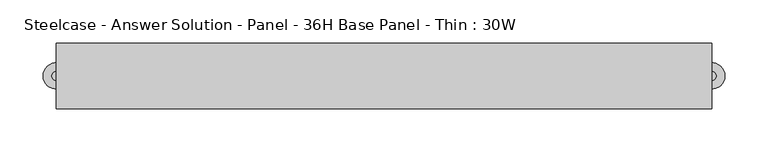
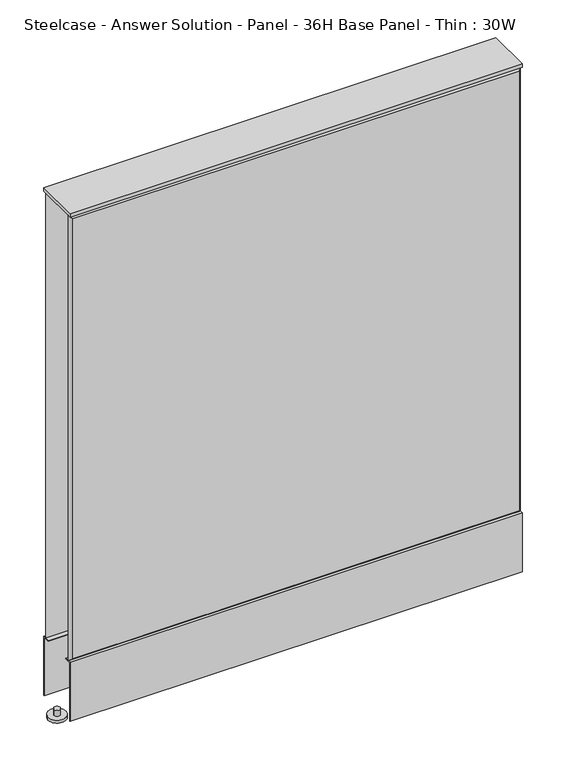
"""IFC4 building model written with IfcOpenShell, lengths in millimetres: furniture geometry, Steelcase - Answer Solution - Panel - 36H Base Panel - Thin : 30W."""

import ifcopenshell
import ifcopenshell.guid

model = None  # the IFC model being written
_history = None  # IfcOwnerHistory: only IFC2X3 demands one
_inside = {}  # id of a spatial element -> (the spatial element, [elements in it])
_under = {}  # id of a project, library or spatial element -> (it, [spatial elements below it])
_declared = {}  # id of a project -> (the project, [libraries it declares])
_typed = {}  # id of a type object -> (the type object, [elements of that type])
_made_of = {}  # id of a material, layer set ... -> (it, [elements and type objects made of it])


def new_model(schema):
    """Start an empty IFC model of exactly this schema.

    Asked for "IFC4X3", IfcOpenShell would pick the latest addendum, in which some entities
    have other attributes; the version numbers below select the first issue.
    IFC2X3 requires an IfcOwnerHistory on every rooted entity: one is made here for all.
    """
    global model, _history
    if schema == "IFC4X3":
        model = ifcopenshell.file(schema_version=(4, 3, 0, 0))
    else:
        model = ifcopenshell.file(schema=schema)
    _inside.clear()
    _under.clear()
    _declared.clear()
    _typed.clear()
    _made_of.clear()
    _history = None
    if model.schema == "IFC2X3":
        org = make("IfcOrganization", Name="unknown")
        user = make(
            "IfcPersonAndOrganization",
            ThePerson=make("IfcPerson", FamilyName="unknown"),
            TheOrganization=org,
        )
        app = make(
            "IfcApplication",
            ApplicationDeveloper=org,
            Version="unknown",
            ApplicationFullName="unknown",
            ApplicationIdentifier="unknown",
        )
        _history = make(
            "IfcOwnerHistory",
            OwningUser=user,
            OwningApplication=app,
            ChangeAction="ADDED",
            CreationDate=0,
        )
    return model


def make(cls, **values):
    """One entity of the class cls with the attributes given. An attribute that is None is left unset."""
    return model.create_entity(
        cls, **{name: value for name, value in values.items() if value is not None}
    )


def rooted(cls, **values):
    """An entity with a GlobalId (a new one), such as an element, a storey or a relation."""
    return make(cls, GlobalId=ifcopenshell.guid.new(), OwnerHistory=_history, **values)


def si_unit(unit_type, name, prefix=None):
    """IfcSIUnit, for example si_unit("LENGTHUNIT", "METRE", prefix="MILLI")."""
    return make("IfcSIUnit", UnitType=unit_type, Prefix=prefix, Name=name)


def assignment(units):
    """IfcUnitAssignment: the units of a project."""
    return None if units is None else make("IfcUnitAssignment", Units=units)


def point(xyz):
    """IfcCartesianPoint."""
    return None if xyz is None else make("IfcCartesianPoint", Coordinates=xyz)


def direction(xyz):
    """IfcDirection."""
    return None if xyz is None else make("IfcDirection", DirectionRatios=xyz)


def frame(location, z_axis=None, x_axis=None):
    """IfcAxis2Placement3D, a coordinate frame: its origin and axes. An axis left out is left unset."""
    return make(
        "IfcAxis2Placement3D",
        Location=point(location),
        Axis=direction(z_axis),
        RefDirection=direction(x_axis),
    )


def frame_2d(location, x_axis=None):
    """IfcAxis2Placement2D, a coordinate frame in the plane: its origin and x axis."""
    return make(
        "IfcAxis2Placement2D", Location=point(location), RefDirection=direction(x_axis)
    )


def origin():
    """The frame at (0, 0, 0) with its axes left unset."""
    return frame((0.0, 0.0, 0.0))


def place(relative_to, where):
    """IfcLocalPlacement: puts the frame where relative to a parent placement (None: the world)."""
    return make(
        "IfcLocalPlacement", PlacementRelTo=relative_to, RelativePlacement=where
    )


def context(
    kind, dimensions, precision=None, world=None, true_north=None, identifier=None
):
    """IfcGeometricRepresentationContext, for example the 3D "Model" context."""
    return make(
        "IfcGeometricRepresentationContext",
        ContextIdentifier=identifier,
        ContextType=kind,
        CoordinateSpaceDimension=dimensions,
        Precision=precision,
        WorldCoordinateSystem=world,
        TrueNorth=true_north,
    )


def project(units=None, contexts=None):
    """IfcProject with its units and contexts."""
    return rooted(
        "IfcProject",
        Name="project",
        RepresentationContexts=contexts,
        UnitsInContext=assignment(units),
    )


def spatial(cls, under=None, at=None, **own):
    """A site, building, storey or space (cls), placed at a placement, below another one or the project."""
    s = rooted(cls, ObjectPlacement=at, **own)
    if under is not None:
        _under.setdefault(under.id(), (under, []))[1].append(s)
    return s


def polyline(points):
    """IfcPolyline through the points."""
    return make("IfcPolyline", Points=[point(p) for p in points])


def circle_curve(where, radius):
    """IfcCircle in the frame where."""
    return make("IfcCircle", Position=where, Radius=radius)


def trimmed(basis, trim1, trim2, sense, master):
    """IfcTrimmedCurve: the piece of a basis curve between two trims."""
    return make(
        "IfcTrimmedCurve",
        BasisCurve=basis,
        Trim1=trim1,
        Trim2=trim2,
        SenseAgreement=sense,
        MasterRepresentation=master,
    )


def segment(curve, same_sense, transition):
    """IfcCompositeCurveSegment."""
    return make(
        "IfcCompositeCurveSegment",
        Transition=transition,
        SameSense=same_sense,
        ParentCurve=curve,
    )


def composite_curve(segments, self_intersect=None):
    """IfcCompositeCurve: segments joined end to end."""
    return make("IfcCompositeCurve", Segments=segments, SelfIntersect=self_intersect)


def outline(outer, holes=None, kind="AREA"):
    """IfcArbitraryClosedProfileDef: a profile drawn as a closed curve; with holes, ...WithVoids."""
    if holes is None:
        return make("IfcArbitraryClosedProfileDef", ProfileType=kind, OuterCurve=outer)
    return make(
        "IfcArbitraryProfileDefWithVoids",
        ProfileType=kind,
        OuterCurve=outer,
        InnerCurves=holes,
    )


def extrude(swept, where, along, depth):
    """IfcExtrudedAreaSolid: the profile swept, set in the frame where, extruded along a direction by depth."""
    return make(
        "IfcExtrudedAreaSolid",
        SweptArea=swept,
        Position=where,
        ExtrudedDirection=direction(along),
        Depth=depth,
    )


def faces_of(points, faces, orient=None, outer=None):
    """IfcFace entities. A face is a list of loops; a loop is a list of indices into points, from 0.

    orient and outer hold one flag for each loop. By default every Orientation is true, the
    first loop of a face is its IfcFaceOuterBound and the others are IfcFaceBound.
    """
    made = []
    for i, loops in enumerate(faces):
        bounds = []
        for j, loop in enumerate(loops):
            is_outer = j == 0 if outer is None else outer[i][j]
            bounds.append(
                make(
                    "IfcFaceOuterBound" if is_outer else "IfcFaceBound",
                    Bound=make("IfcPolyLoop", Polygon=[points[k] for k in loop]),
                    Orientation=True if orient is None else orient[i][j],
                )
            )
        made.append(make("IfcFace", Bounds=bounds))
    return made


def faceted_brep(points, faces, orient=None, outer=None, voids=None):
    """IfcFacetedBrep: a solid bounded by flat faces; with voids (closed shells), ...WithVoids."""
    shared = [point(p) for p in points]
    hull = make("IfcClosedShell", CfsFaces=faces_of(shared, faces, orient, outer))
    if voids is None:
        return make("IfcFacetedBrep", Outer=hull)
    return make(
        "IfcFacetedBrepWithVoids",
        Outer=hull,
        Voids=[
            make(cls, CfsFaces=faces_of(shared, fs, o, b)) for cls, fs, o, b in voids
        ],
    )


def shape(context_of_items, identifier, shape_type, items):
    """IfcShapeRepresentation: the items that make up one representation, for example the "Body"."""
    return make(
        "IfcShapeRepresentation",
        ContextOfItems=context_of_items,
        RepresentationIdentifier=identifier,
        RepresentationType=shape_type,
        Items=items,
    )


def source(mapping_origin, context_of_items, identifier, shape_type, items):
    """IfcRepresentationMap: a shape defined once, which mapped items show again and again."""
    return make(
        "IfcRepresentationMap",
        MappingOrigin=mapping_origin,
        MappedRepresentation=shape(context_of_items, identifier, shape_type, items),
    )


def transform(
    local_origin,
    x_axis=None,
    y_axis=None,
    z_axis=None,
    scale=None,
    scale2=None,
    scale3=None,
    uniform=True,
):
    """IfcCartesianTransformationOperator3D, or its non-uniform kind. x_axis, y_axis, z_axis: its Axis1, 2, 3."""
    if uniform:
        return make(
            "IfcCartesianTransformationOperator3D",
            Axis1=direction(x_axis),
            Axis2=direction(y_axis),
            LocalOrigin=point(local_origin),
            Scale=scale,
            Axis3=direction(z_axis),
        )
    return make(
        "IfcCartesianTransformationOperator3DnonUniform",
        Axis1=direction(x_axis),
        Axis2=direction(y_axis),
        LocalOrigin=point(local_origin),
        Scale=scale,
        Axis3=direction(z_axis),
        Scale2=scale2,
        Scale3=scale3,
    )


def mapped(mapping_source, mapping_target):
    """IfcMappedItem: shows the shape of a source again, moved by a transform."""
    return make(
        "IfcMappedItem", MappingSource=mapping_source, MappingTarget=mapping_target
    )


def made_of(thing, what):
    """Note that an element or type object is made of a material, layer set ...; save() writes the relation."""
    if what is not None:
        _made_of.setdefault(what.id(), (what, []))[1].append(thing)
    return thing


def element(
    cls,
    number,
    at=None,
    inside=None,
    cuts=None,
    type_object=None,
    material=None,
    context=None,
    identifier="Body",
    shape_type=None,
    held_by="IfcProductDefinitionShape",
    body=None,
    shapes=None,
    **own,
):
    """One element of the class cls, such as IfcWall. Its Tag is "e" and its number.

    at: its placement. inside: the storey or other place that contains it. cuts: it is an
    opening in that element (IfcRelVoidsElement). A single representation is given by context,
    identifier, shape_type and body (its items); several are given by shapes. held_by: the class
    of the entity that holds the representations. save() writes the other relations.
    """
    e = rooted(cls, Tag="e%d" % number, ObjectPlacement=at, **own)
    if body is not None:
        shapes = [shape(context, identifier, shape_type, body)]
    if shapes is not None:
        e.Representation = make(held_by, Representations=shapes)
    if inside is not None:
        _inside.setdefault(inside.id(), (inside, []))[1].append(e)
    if cuts is not None:
        rooted(
            "IfcRelVoidsElement", RelatingBuildingElement=cuts, RelatedOpeningElement=e
        )
    if type_object is not None:
        _typed.setdefault(type_object.id(), (type_object, []))[1].append(e)
    return made_of(e, material)


def aggregate(whole, parts):
    """IfcRelAggregates: a whole, such as a stair, and the parts it consists of."""
    return rooted("IfcRelAggregates", RelatingObject=whole, RelatedObjects=parts)


def save(model, path):
    """Write the relations noted so far, then the file.

    IfcRelAggregates (storeys below a building ...), IfcRelContainedInSpatialStructure (elements
    in a storey), IfcRelDefinesByType, IfcRelAssociatesMaterial and IfcRelDeclares: one each for
    every whole, place, type object, material and project.
    """
    for whole, parts in _under.values():
        aggregate(whole, parts)
    for where, things in _inside.values():
        rooted(
            "IfcRelContainedInSpatialStructure",
            RelatedElements=things,
            RelatingStructure=where,
        )
    for kind, things in _typed.values():
        rooted("IfcRelDefinesByType", RelatedObjects=things, RelatingType=kind)
    for what, things in _made_of.values():
        rooted("IfcRelAssociatesMaterial", RelatedObjects=things, RelatingMaterial=what)
    for by, libraries in _declared.values():
        rooted("IfcRelDeclares", RelatingContext=by, RelatedDefinitions=libraries)
    model.write(path)


def steelcase_answer_solution_panel_36h_base_panel_thin_30w_56c6daf1(model_context):
    return source(origin(), model_context, "Body", "SolidModel", [
        extrude(outline(polyline([(37.3075215, 119.8575157), (25.4000011, 119.8575157), (25.4000011, 120.65), (38.1000194, 120.65), (38.1000194, 15.494), (37.3075215, 15.494), (37.3075215, 119.8575157)])), frame((-381.0, 0.0, 0.0), z_axis=(1.0, 0.0, 0.0), x_axis=(0.0, 1.0, 0.0)), (0.0, 0.0, 1.0), 762.0),
        extrude(outline(polyline([(-37.3075215, 119.8575157), (-37.3075215, 15.494), (-38.1000194, 15.494), (-38.1000194, 120.65), (-25.4000011, 120.65), (-25.4000011, 119.8575157), (-37.3075215, 119.8575157)])), frame((-381.0, 0.0, 0.0), z_axis=(1.0, 0.0, 0.0), x_axis=(0.0, 1.0, 0.0)), (0.0, 0.0, 1.0), 762.0),
        extrude(outline(composite_curve([segment(trimmed(circle_curve(frame_2d((381.0, 0.0)), 5.08), [point((386.08, 0.0))], [point((375.92, 0.0))], False, "CARTESIAN"), True, "CONTINUOUS"), segment(trimmed(circle_curve(frame_2d((381.0, 0.0)), 5.08), [point((375.92, 0.0))], [point((386.08, 0.0))], False, "CARTESIAN"), True, "CONTINUOUS")], self_intersect=False)), frame((0.0, 0.0, 5.0799671), z_axis=(0.0, 0.0, 1.0), x_axis=(1.0, 0.0, 0.0)), (0.0, 0.0, 1.0), 10.414),
        extrude(outline(composite_curve([segment(trimmed(circle_curve(frame_2d((381.0, 0.0)), 15.24), [point((396.24, 0.0))], [point((365.76, 0.0))], False, "CARTESIAN"), True, "CONTINUOUS"), segment(trimmed(circle_curve(frame_2d((381.0, 0.0)), 15.24), [point((365.76, 0.0))], [point((396.24, 0.0))], False, "CARTESIAN"), True, "CONTINUOUS")], self_intersect=False)), frame((0.0, 0.0, -3.29e-05), z_axis=(0.0, 0.0, 1.0), x_axis=(1.0, 0.0, 0.0)), (0.0, 0.0, 1.0), 5.08),
        extrude(outline(composite_curve([segment(trimmed(circle_curve(frame_2d((-381.0, 0.0)), 5.08), [point((-386.08, 0.0))], [point((-375.92, 0.0))], False, "CARTESIAN"), True, "CONTINUOUS"), segment(trimmed(circle_curve(frame_2d((-381.0, 0.0)), 5.08), [point((-375.92, 0.0))], [point((-386.08, 0.0))], False, "CARTESIAN"), True, "CONTINUOUS")], self_intersect=False)), frame((0.0, 0.0, 5.0799671), z_axis=(0.0, 0.0, 1.0), x_axis=(1.0, 0.0, 0.0)), (0.0, 0.0, 1.0), 10.414),
        extrude(outline(composite_curve([segment(trimmed(circle_curve(frame_2d((-381.0, 0.0)), 15.24), [point((-396.24, 0.0))], [point((-365.76, 0.0))], False, "CARTESIAN"), True, "CONTINUOUS"), segment(trimmed(circle_curve(frame_2d((-381.0, 0.0)), 15.24), [point((-365.76, 0.0))], [point((-396.24, 0.0))], False, "CARTESIAN"), True, "CONTINUOUS")], self_intersect=False)), frame((0.0, 0.0, -3.29e-05), z_axis=(0.0, 0.0, 1.0), x_axis=(1.0, 0.0, 0.0)), (0.0, 0.0, 1.0), 5.08),
        faceted_brep([(376.174, 38.0960553, 909.574), (376.174, 38.0960553, 125.476), (-376.174, 38.0960553, 125.476), (-376.174, 38.0960553, 909.574), (381.0, 33.2700553, 914.4), (-381.0, 33.2700553, 914.4), (-381.0, 33.2700553, 120.65), (381.0, 33.2700553, 120.65)], [[[0, 1, 2, 3]], [[4, 5, 6, 7]], [[4, 0, 3, 5]], [[5, 3, 2, 6]], [[6, 2, 1, 7]], [[7, 1, 0, 4]]]),
        faceted_brep([(376.174, -38.0960553, 909.574), (-376.174, -38.0960553, 909.574), (-376.174, -38.0960553, 125.476), (376.174, -38.0960553, 125.476), (381.0, -33.2700553, 914.4), (381.0, -33.2700553, 120.65), (-381.0, -33.2700553, 120.65), (-381.0, -33.2700553, 914.4)], [[[0, 1, 2, 3]], [[4, 5, 6, 7]], [[4, 7, 1, 0]], [[7, 6, 2, 1]], [[6, 5, 3, 2]], [[5, 4, 0, 3]]]),
        extrude(outline(polyline([(381.0, 38.1000194), (381.0, -38.1000194), (-381.0, -38.1000194), (-381.0, 38.1000194), (381.0, 38.1000194)])), frame((0.0, 0.0, 914.4), z_axis=(0.0, 0.0, 1.0), x_axis=(1.0, 0.0, 0.0)), (0.0, 0.0, 1.0), 6.35),
    ])


if __name__ == "__main__":
    model = new_model("IFC4")
    model_context = context("Model", 3, world=origin())
    ifc_project = project(units=[si_unit("LENGTHUNIT", "METRE", prefix="MILLI")], contexts=[model_context])
    site = spatial("IfcSite", under=ifc_project)
    building = spatial("IfcBuilding", under=site)
    placement = place(None, origin())
    steelcase_answer_solution_panel_36h_base_panel_thin_30w_shape = steelcase_answer_solution_panel_36h_base_panel_thin_30w_56c6daf1(model_context)
    element("IfcFurniture", 1, ObjectType="Steelcase - Answer Solution - Panel - 36H Base Panel - Thin : 30W", at=placement, inside=building, context=model_context, shape_type="MappedRepresentation", body=[
        mapped(steelcase_answer_solution_panel_36h_base_panel_thin_30w_shape, transform((0.0, 0.0, 0.0), x_axis=(1.0, 0.0, 0.0), y_axis=(0.0, 1.0, 0.0), z_axis=(0.0, 0.0, 1.0))),
    ])
    save(model, "model.ifc")
